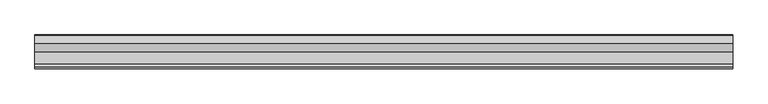
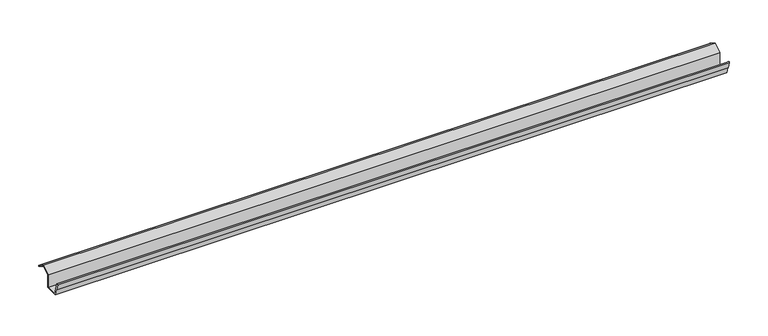
"""IFC4 building model written with IfcOpenShell, lengths in millimetres: proxy geometry."""

from ifc_helpers import new_model, si_unit, point, frame, frame_2d, origin, place, context, project, spatial, polyline, circle_curve, trimmed, segment, composite_curve, outline, extrude, source, transform, mapped, element, save


def generic_models_faae369f(model_context):
    return source(origin(), model_context, "Body", "SweptSolid", [
        extrude(outline(composite_curve([segment(polyline([(-46.604626, 19.647926), (-41.5275445, 0.7), (-24.3908409, 0.7), (-24.3908409, 20.5004341), (-11.9208269, 27.7), (-0.4124967, 21.0556624)]), True, "CONTINUOUS"), segment(trimmed(circle_curve(frame_2d((-0.8249967, 20.3411915)), 0.825), [point((-0.4124967, 21.0556624))], [point((-1.2374967, 19.6267205))], False, "CARTESIAN"), True, "CONTINUOUS"), segment(polyline([(-1.2374967, 19.6267205), (-9.8977507, 24.6267205), (-9.4977507, 25.3195408), (-0.8374967, 20.3195408), (-11.823474, 26.8324463), (-23.611208, 20.0267949), (-23.611208, 0.0), (-42.1681661, 0.0), (-47.3592919, 19.3735454), (-44.9366743, 9.7290909), (-45.7124745, 9.5342155), (-48.3006649, 19.1934738)]), True, "CONTINUOUS"), segment(trimmed(circle_curve(frame_2d((-47.4526454, 19.4206999)), 0.8779344), [point((-48.3006649, 19.1934738))], [point((-46.604626, 19.647926))], False, "CARTESIAN"), True, "CONTINUOUS")], self_intersect=False)), frame((0.0, 0.0, 0.0), z_axis=(1.0, 0.0, 0.0), x_axis=(0.0, 1.0, 0.0)), (0.0, 0.0, 1.0), 1000.0),
    ])


if __name__ == "__main__":
    model = new_model("IFC4")
    model_context = context("Model", 3, world=origin())
    ifc_project = project(units=[si_unit("LENGTHUNIT", "METRE", prefix="MILLI")], contexts=[model_context])
    site = spatial("IfcSite", under=ifc_project)
    building = spatial("IfcBuilding", under=site)
    placement = place(None, origin())
    generic_models_shape = generic_models_faae369f(model_context)
    element("IfcBuildingElementProxy", 1, Name="Generic Models", at=placement, inside=building, context=model_context, shape_type="MappedRepresentation", body=[
        mapped(generic_models_shape, transform((0.0, 0.0, 0.0), x_axis=(1.0, 0.0, 0.0), y_axis=(0.0, 1.0, 0.0), z_axis=(0.0, 0.0, 1.0))),
    ])
    save(model, "model.ifc")
